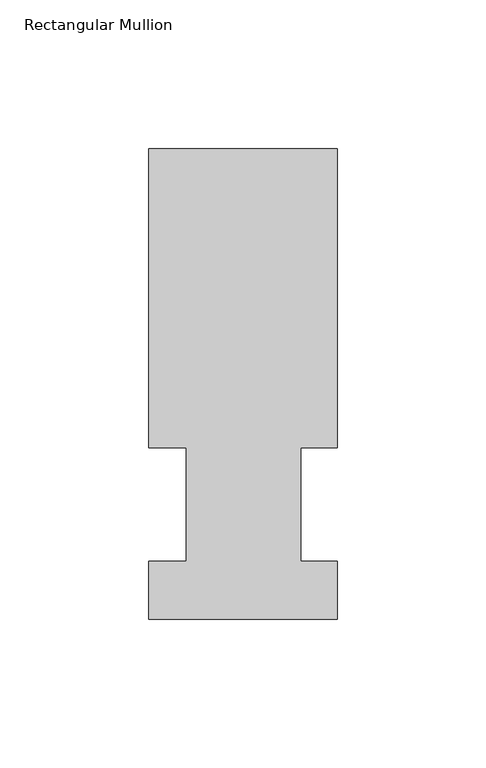
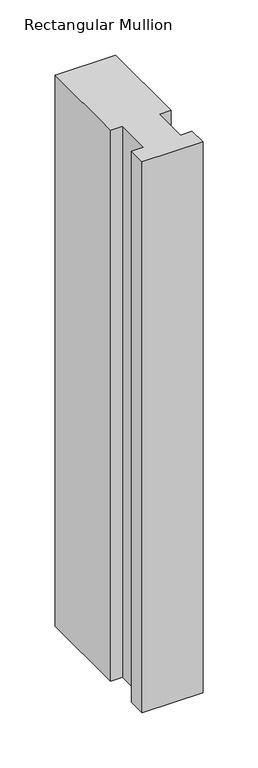
"""IFC4 building model written with IfcOpenShell, lengths in millimetres: member geometry, Rectangular Mullion."""

from ifc_helpers import new_model, si_unit, frame, origin, place, context, project, spatial, polyline, outline, extrude, source, transform, mapped, element, save


def rectangular_mullion_255174c6(model_context):
    return source(origin(), model_context, "Body", "SweptSolid", [
        extrude(outline(polyline([(-63.5, 57.6460937), (-63.5, 158.3316937), (0.0, 158.3316937), (0.0, 57.6460937), (-12.3418395, 57.6460937), (-12.3418395, 19.5460937), (0.0, 19.5460937), (0.0, 0.0134938), (-63.5, 0.0134938), (-63.5, 19.5460937), (-50.8, 19.5460937), (-50.8, 57.6460937), (-63.5, 57.6460937)])), frame((0.0, 0.0, -609.6), z_axis=(0.0, 0.0, 1.0), x_axis=(1.0, 0.0, 0.0)), (0.0, 0.0, 1.0), 609.6),
    ])


if __name__ == "__main__":
    model = new_model("IFC4")
    model_context = context("Model", 3, world=origin())
    ifc_project = project(units=[si_unit("LENGTHUNIT", "METRE", prefix="MILLI")], contexts=[model_context])
    site = spatial("IfcSite", under=ifc_project)
    building = spatial("IfcBuilding", under=site)
    placement = place(None, origin())
    rectangular_mullion_shape = rectangular_mullion_255174c6(model_context)
    element("IfcMember", 1, ObjectType="Rectangular Mullion", at=placement, inside=building, context=model_context, shape_type="MappedRepresentation", body=[
        mapped(rectangular_mullion_shape, transform((0.0, 0.0, 0.0), x_axis=(1.0, 0.0, 0.0), y_axis=(0.0, 1.0, 0.0), z_axis=(0.0, 0.0, 1.0))),
    ])
    save(model, "model.ifc")
